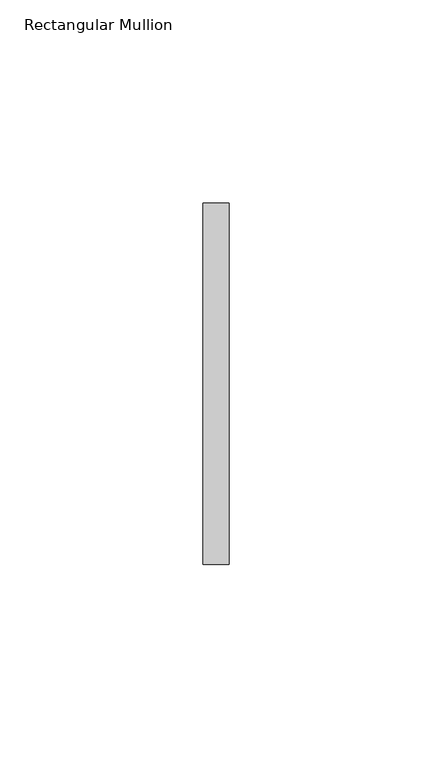
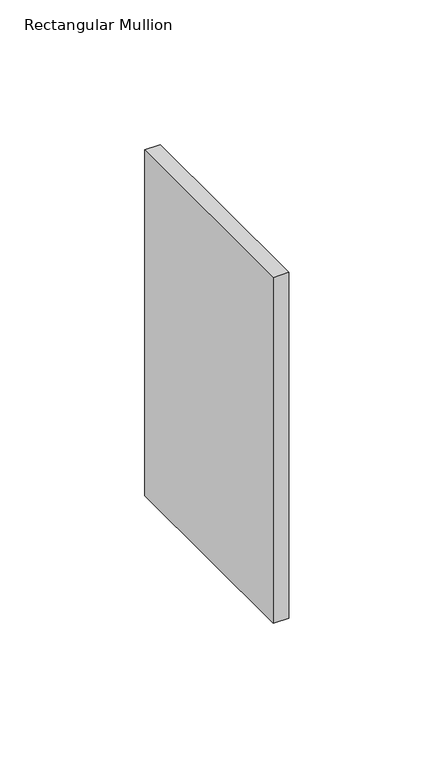
"""IFC4 building model written with IfcOpenShell, lengths in millimetres: member geometry, Rectangular Mullion."""

from ifc_helpers import new_model, si_unit, frame, origin, place, context, project, spatial, polyline, outline, extrude, source, transform, mapped, element, save


def rectangular_mullion_c92c84cd(model_context):
    return source(origin(), model_context, "Body", "SweptSolid", [
        extrude(outline(polyline([(0.0, 44.45), (0.0, -44.45), (-6.35, -44.45), (-6.35, 44.45), (0.0, 44.45)])), frame((0.0, 0.0, -146.0500003), z_axis=(0.0, 0.0, 1.0), x_axis=(1.0, 0.0, 0.0)), (0.0, 0.0, 1.0), 146.0500003),
    ])


if __name__ == "__main__":
    model = new_model("IFC4")
    model_context = context("Model", 3, world=origin())
    ifc_project = project(units=[si_unit("LENGTHUNIT", "METRE", prefix="MILLI")], contexts=[model_context])
    site = spatial("IfcSite", under=ifc_project)
    building = spatial("IfcBuilding", under=site)
    placement = place(None, origin())
    rectangular_mullion_shape = rectangular_mullion_c92c84cd(model_context)
    element("IfcMember", 1, ObjectType="Rectangular Mullion", at=placement, inside=building, context=model_context, shape_type="MappedRepresentation", body=[
        mapped(rectangular_mullion_shape, transform((0.0, 0.0, 0.0), x_axis=(1.0, 0.0, 0.0), y_axis=(0.0, 1.0, 0.0), z_axis=(0.0, 0.0, 1.0))),
    ])
    save(model, "model.ifc")
